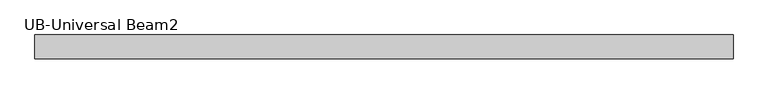
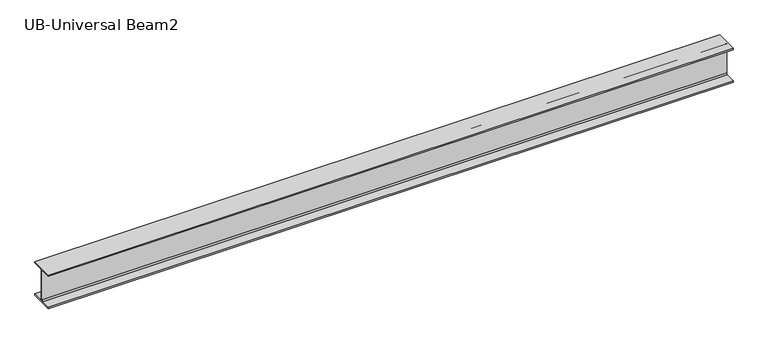
"""IFC4 building model written with IfcOpenShell, lengths in millimetres: beam geometry, UB-Universal Beam2."""

from ifc_helpers import new_model, si_unit, point, frame, frame_2d, origin, place, context, project, spatial, polyline, circle_curve, trimmed, segment, composite_curve, outline, extrude, source, transform, mapped, element, save


def ub_universal_beam2_29741b4f(model_context):
    return source(origin(), model_context, "Body", "SweptSolid", [
        extrude(outline(composite_curve([segment(polyline([(82.5, -114.8), (82.5, -125.0), (-82.5, -125.0), (-82.5, -114.8), (-11.9, -114.8)]), True, "CONTINUOUS"), segment(trimmed(circle_curve(frame_2d((-11.9, -105.9)), 8.9), [point((-11.9, -114.8))], [point((-3.0, -105.9))], True, "CARTESIAN"), True, "CONTINUOUS"), segment(polyline([(-3.0, -105.9), (-3.0, 105.9)]), True, "CONTINUOUS"), segment(trimmed(circle_curve(frame_2d((-11.9, 105.9)), 8.9), [point((-3.0, 105.9))], [point((-11.9, 114.8))], True, "CARTESIAN"), True, "CONTINUOUS"), segment(polyline([(-11.9, 114.8), (-82.5, 114.8), (-82.5, 125.0), (82.5, 125.0), (82.5, 114.8), (11.9, 114.8)]), True, "CONTINUOUS"), segment(trimmed(circle_curve(frame_2d((11.9, 105.9)), 8.9), [point((11.9, 114.8))], [point((3.0, 105.9))], True, "CARTESIAN"), True, "CONTINUOUS"), segment(polyline([(3.0, 105.9), (3.0, -105.9)]), True, "CONTINUOUS"), segment(trimmed(circle_curve(frame_2d((11.9, -105.9)), 8.9), [point((3.0, -105.9))], [point((11.9, -114.8))], True, "CARTESIAN"), True, "CONTINUOUS"), segment(polyline([(11.9, -114.8), (82.5, -114.8)]), True, "CONTINUOUS")], self_intersect=False)), frame((-2404.8, 0.0, 0.0), z_axis=(1.0, 0.0, 0.0), x_axis=(0.0, 1.0, 0.0)), (0.0, 0.0, 1.0), 4809.6),
    ])


if __name__ == "__main__":
    model = new_model("IFC4")
    model_context = context("Model", 3, world=origin())
    ifc_project = project(units=[si_unit("LENGTHUNIT", "METRE", prefix="MILLI")], contexts=[model_context])
    site = spatial("IfcSite", under=ifc_project)
    building = spatial("IfcBuilding", under=site)
    placement = place(None, origin())
    ub_universal_beam2_shape = ub_universal_beam2_29741b4f(model_context)
    element("IfcBeam", 1, ObjectType="UB-Universal Beam2", at=placement, inside=building, context=model_context, shape_type="MappedRepresentation", body=[
        mapped(ub_universal_beam2_shape, transform((0.0, 0.0, 0.0), x_axis=(1.0, 0.0, 0.0), y_axis=(0.0, 1.0, 0.0), z_axis=(0.0, 0.0, 1.0))),
    ])
    save(model, "model.ifc")
